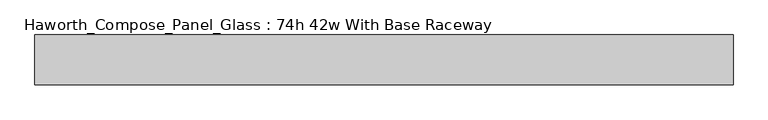
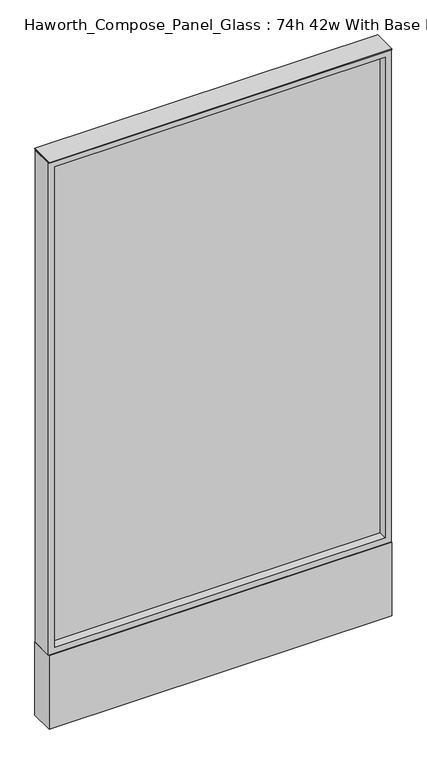
"""IFC4 building model written with IfcOpenShell, lengths in millimetres: furniture geometry, Haworth_Compose_Panel_Glass : 74h 42w With Base Raceway."""

from ifc_helpers import new_model, si_unit, point, frame, frame_2d, origin, origin_with_axes, place, context, project, spatial, polyline, circle_curve, trimmed, segment, composite_curve, outline, extrude, source, transform, mapped, element, save


def haworth_compose_panel_glass_74h_42w_with_base_raceway_84b32a74(model_context):
    return source(origin(), model_context, "Body", "SweptSolid", [
        extrude(outline(composite_curve([segment(trimmed(circle_curve(frame_2d((459.6402902, 0.0)), 12.7), [point((446.9402902, 0.0))], [point((472.3402902, 0.0))], False, "CARTESIAN"), True, "CONTINUOUS"), segment(trimmed(circle_curve(frame_2d((459.6402902, 0.0)), 12.7), [point((472.3402902, 0.0))], [point((446.9402902, 0.0))], False, "CARTESIAN"), True, "CONTINUOUS")], self_intersect=False)), origin_with_axes(), (0.0, 0.0, 1.0), 12.7),
        extrude(outline(composite_curve([segment(trimmed(circle_curve(frame_2d((-454.7597098, 0.0)), 12.7), [point((-467.4597098, 0.0))], [point((-442.0597098, 0.0))], False, "CARTESIAN"), True, "CONTINUOUS"), segment(trimmed(circle_curve(frame_2d((-454.7597098, 0.0)), 12.7), [point((-442.0597098, 0.0))], [point((-467.4597098, 0.0))], False, "CARTESIAN"), True, "CONTINUOUS")], self_intersect=False)), origin_with_axes(), (0.0, 0.0, 1.0), 12.7),
        extrude(outline(polyline([(516.7902902, -6.35), (-511.9097098, -6.35), (-511.9097098, 6.35), (516.7902902, 6.35), (516.7902902, -6.35)])), frame((0.0, 0.0, 273.05), z_axis=(0.0, 0.0, 1.0), x_axis=(1.0, 0.0, 0.0)), (0.0, 0.0, 1.0), 1581.15),
        extrude(outline(polyline([(1873.25, -530.9597098), (254.0, -530.9597098), (254.0, 535.8402902), (1873.25, 535.8402902), (1873.25, -530.9597098)]), holes=[polyline([(1854.2, 516.7902902), (273.05, 516.7902902), (273.05, -511.9097098), (1854.2, -511.9097098), (1854.2, 516.7902902)])]), frame((0.0, -34.925, 0.0), z_axis=(0.0, 1.0, 0.0), x_axis=(0.0, 0.0, 1.0)), (0.0, 0.0, 1.0), 69.85),
        extrude(outline(polyline([(-530.9597098, 38.1), (535.8402902, 38.1), (535.8402902, -38.1), (-530.9597098, -38.1), (-530.9597098, 38.1)])), frame((0.0, 0.0, 12.7), z_axis=(0.0, 0.0, 1.0), x_axis=(1.0, 0.0, 0.0)), (0.0, 0.0, 1.0), 241.3),
        extrude(outline(polyline([(-530.9597098, -38.1), (-530.9597098, 38.1), (535.8402902, 38.1), (535.8402902, -38.1), (-530.9597098, -38.1)])), frame((0.0, 0.0, 1873.25), z_axis=(0.0, 0.0, 1.0), x_axis=(1.0, 0.0, 0.0)), (0.0, 0.0, 1.0), 3.175),
    ])


if __name__ == "__main__":
    model = new_model("IFC4")
    model_context = context("Model", 3, world=origin())
    ifc_project = project(units=[si_unit("LENGTHUNIT", "METRE", prefix="MILLI")], contexts=[model_context])
    site = spatial("IfcSite", under=ifc_project)
    building = spatial("IfcBuilding", under=site)
    placement = place(None, origin())
    haworth_compose_panel_glass_74h_42w_with_base_raceway_shape = haworth_compose_panel_glass_74h_42w_with_base_raceway_84b32a74(model_context)
    element("IfcFurniture", 1, ObjectType="Haworth_Compose_Panel_Glass : 74h 42w With Base Raceway", at=placement, inside=building, context=model_context, shape_type="MappedRepresentation", body=[
        mapped(haworth_compose_panel_glass_74h_42w_with_base_raceway_shape, transform((0.0, 0.0, 0.0), x_axis=(1.0, 0.0, 0.0), y_axis=(0.0, 1.0, 0.0), z_axis=(0.0, 0.0, 1.0))),
    ])
    save(model, "model.ifc")
